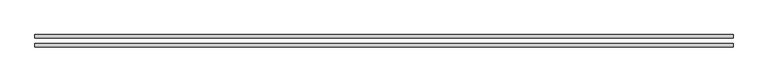
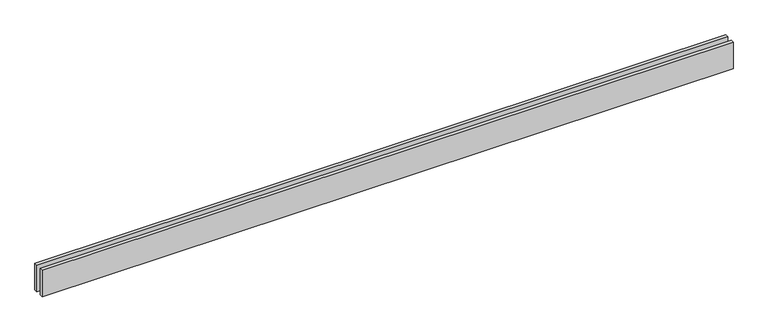
"""IFC4 building model written with IfcOpenShell, lengths in millimetres: proxy geometry."""

import ifcopenshell
import ifcopenshell.guid

model = None  # the IFC model being written
_history = None  # IfcOwnerHistory: only IFC2X3 demands one
_inside = {}  # id of a spatial element -> (the spatial element, [elements in it])
_under = {}  # id of a project, library or spatial element -> (it, [spatial elements below it])
_declared = {}  # id of a project -> (the project, [libraries it declares])
_typed = {}  # id of a type object -> (the type object, [elements of that type])
_made_of = {}  # id of a material, layer set ... -> (it, [elements and type objects made of it])


def new_model(schema):
    """Start an empty IFC model of exactly this schema.

    Asked for "IFC4X3", IfcOpenShell would pick the latest addendum, in which some entities
    have other attributes; the version numbers below select the first issue.
    IFC2X3 requires an IfcOwnerHistory on every rooted entity: one is made here for all.
    """
    global model, _history
    if schema == "IFC4X3":
        model = ifcopenshell.file(schema_version=(4, 3, 0, 0))
    else:
        model = ifcopenshell.file(schema=schema)
    _inside.clear()
    _under.clear()
    _declared.clear()
    _typed.clear()
    _made_of.clear()
    _history = None
    if model.schema == "IFC2X3":
        org = make("IfcOrganization", Name="unknown")
        user = make(
            "IfcPersonAndOrganization",
            ThePerson=make("IfcPerson", FamilyName="unknown"),
            TheOrganization=org,
        )
        app = make(
            "IfcApplication",
            ApplicationDeveloper=org,
            Version="unknown",
            ApplicationFullName="unknown",
            ApplicationIdentifier="unknown",
        )
        _history = make(
            "IfcOwnerHistory",
            OwningUser=user,
            OwningApplication=app,
            ChangeAction="ADDED",
            CreationDate=0,
        )
    return model


def make(cls, **values):
    """One entity of the class cls with the attributes given. An attribute that is None is left unset."""
    return model.create_entity(
        cls, **{name: value for name, value in values.items() if value is not None}
    )


def rooted(cls, **values):
    """An entity with a GlobalId (a new one), such as an element, a storey or a relation."""
    return make(cls, GlobalId=ifcopenshell.guid.new(), OwnerHistory=_history, **values)


def si_unit(unit_type, name, prefix=None):
    """IfcSIUnit, for example si_unit("LENGTHUNIT", "METRE", prefix="MILLI")."""
    return make("IfcSIUnit", UnitType=unit_type, Prefix=prefix, Name=name)


def assignment(units):
    """IfcUnitAssignment: the units of a project."""
    return None if units is None else make("IfcUnitAssignment", Units=units)


def point(xyz):
    """IfcCartesianPoint."""
    return None if xyz is None else make("IfcCartesianPoint", Coordinates=xyz)


def direction(xyz):
    """IfcDirection."""
    return None if xyz is None else make("IfcDirection", DirectionRatios=xyz)


def frame(location, z_axis=None, x_axis=None):
    """IfcAxis2Placement3D, a coordinate frame: its origin and axes. An axis left out is left unset."""
    return make(
        "IfcAxis2Placement3D",
        Location=point(location),
        Axis=direction(z_axis),
        RefDirection=direction(x_axis),
    )


def origin():
    """The frame at (0, 0, 0) with its axes left unset."""
    return frame((0.0, 0.0, 0.0))


def origin_with_axes():
    """The frame at (0, 0, 0) with the z axis (0, 0, 1) and the x axis (1, 0, 0) written out."""
    return frame((0.0, 0.0, 0.0), z_axis=(0.0, 0.0, 1.0), x_axis=(1.0, 0.0, 0.0))


def place(relative_to, where):
    """IfcLocalPlacement: puts the frame where relative to a parent placement (None: the world)."""
    return make(
        "IfcLocalPlacement", PlacementRelTo=relative_to, RelativePlacement=where
    )


def context(
    kind, dimensions, precision=None, world=None, true_north=None, identifier=None
):
    """IfcGeometricRepresentationContext, for example the 3D "Model" context."""
    return make(
        "IfcGeometricRepresentationContext",
        ContextIdentifier=identifier,
        ContextType=kind,
        CoordinateSpaceDimension=dimensions,
        Precision=precision,
        WorldCoordinateSystem=world,
        TrueNorth=true_north,
    )


def project(units=None, contexts=None):
    """IfcProject with its units and contexts."""
    return rooted(
        "IfcProject",
        Name="project",
        RepresentationContexts=contexts,
        UnitsInContext=assignment(units),
    )


def spatial(cls, under=None, at=None, **own):
    """A site, building, storey or space (cls), placed at a placement, below another one or the project."""
    s = rooted(cls, ObjectPlacement=at, **own)
    if under is not None:
        _under.setdefault(under.id(), (under, []))[1].append(s)
    return s


def polyline(points):
    """IfcPolyline through the points."""
    return make("IfcPolyline", Points=[point(p) for p in points])


def outline(outer, holes=None, kind="AREA"):
    """IfcArbitraryClosedProfileDef: a profile drawn as a closed curve; with holes, ...WithVoids."""
    if holes is None:
        return make("IfcArbitraryClosedProfileDef", ProfileType=kind, OuterCurve=outer)
    return make(
        "IfcArbitraryProfileDefWithVoids",
        ProfileType=kind,
        OuterCurve=outer,
        InnerCurves=holes,
    )


def extrude(swept, where, along, depth):
    """IfcExtrudedAreaSolid: the profile swept, set in the frame where, extruded along a direction by depth."""
    return make(
        "IfcExtrudedAreaSolid",
        SweptArea=swept,
        Position=where,
        ExtrudedDirection=direction(along),
        Depth=depth,
    )


def shape(context_of_items, identifier, shape_type, items):
    """IfcShapeRepresentation: the items that make up one representation, for example the "Body"."""
    return make(
        "IfcShapeRepresentation",
        ContextOfItems=context_of_items,
        RepresentationIdentifier=identifier,
        RepresentationType=shape_type,
        Items=items,
    )


def source(mapping_origin, context_of_items, identifier, shape_type, items):
    """IfcRepresentationMap: a shape defined once, which mapped items show again and again."""
    return make(
        "IfcRepresentationMap",
        MappingOrigin=mapping_origin,
        MappedRepresentation=shape(context_of_items, identifier, shape_type, items),
    )


def transform(
    local_origin,
    x_axis=None,
    y_axis=None,
    z_axis=None,
    scale=None,
    scale2=None,
    scale3=None,
    uniform=True,
):
    """IfcCartesianTransformationOperator3D, or its non-uniform kind. x_axis, y_axis, z_axis: its Axis1, 2, 3."""
    if uniform:
        return make(
            "IfcCartesianTransformationOperator3D",
            Axis1=direction(x_axis),
            Axis2=direction(y_axis),
            LocalOrigin=point(local_origin),
            Scale=scale,
            Axis3=direction(z_axis),
        )
    return make(
        "IfcCartesianTransformationOperator3DnonUniform",
        Axis1=direction(x_axis),
        Axis2=direction(y_axis),
        LocalOrigin=point(local_origin),
        Scale=scale,
        Axis3=direction(z_axis),
        Scale2=scale2,
        Scale3=scale3,
    )


def mapped(mapping_source, mapping_target):
    """IfcMappedItem: shows the shape of a source again, moved by a transform."""
    return make(
        "IfcMappedItem", MappingSource=mapping_source, MappingTarget=mapping_target
    )


def made_of(thing, what):
    """Note that an element or type object is made of a material, layer set ...; save() writes the relation."""
    if what is not None:
        _made_of.setdefault(what.id(), (what, []))[1].append(thing)
    return thing


def element(
    cls,
    number,
    at=None,
    inside=None,
    cuts=None,
    type_object=None,
    material=None,
    context=None,
    identifier="Body",
    shape_type=None,
    held_by="IfcProductDefinitionShape",
    body=None,
    shapes=None,
    **own,
):
    """One element of the class cls, such as IfcWall. Its Tag is "e" and its number.

    at: its placement. inside: the storey or other place that contains it. cuts: it is an
    opening in that element (IfcRelVoidsElement). A single representation is given by context,
    identifier, shape_type and body (its items); several are given by shapes. held_by: the class
    of the entity that holds the representations. save() writes the other relations.
    """
    e = rooted(cls, Tag="e%d" % number, ObjectPlacement=at, **own)
    if body is not None:
        shapes = [shape(context, identifier, shape_type, body)]
    if shapes is not None:
        e.Representation = make(held_by, Representations=shapes)
    if inside is not None:
        _inside.setdefault(inside.id(), (inside, []))[1].append(e)
    if cuts is not None:
        rooted(
            "IfcRelVoidsElement", RelatingBuildingElement=cuts, RelatedOpeningElement=e
        )
    if type_object is not None:
        _typed.setdefault(type_object.id(), (type_object, []))[1].append(e)
    return made_of(e, material)


def aggregate(whole, parts):
    """IfcRelAggregates: a whole, such as a stair, and the parts it consists of."""
    return rooted("IfcRelAggregates", RelatingObject=whole, RelatedObjects=parts)


def save(model, path):
    """Write the relations noted so far, then the file.

    IfcRelAggregates (storeys below a building ...), IfcRelContainedInSpatialStructure (elements
    in a storey), IfcRelDefinesByType, IfcRelAssociatesMaterial and IfcRelDeclares: one each for
    every whole, place, type object, material and project.
    """
    for whole, parts in _under.values():
        aggregate(whole, parts)
    for where, things in _inside.values():
        rooted(
            "IfcRelContainedInSpatialStructure",
            RelatedElements=things,
            RelatingStructure=where,
        )
    for kind, things in _typed.values():
        rooted("IfcRelDefinesByType", RelatedObjects=things, RelatingType=kind)
    for what, things in _made_of.values():
        rooted("IfcRelAssociatesMaterial", RelatedObjects=things, RelatingMaterial=what)
    for by, libraries in _declared.values():
        rooted("IfcRelDeclares", RelatingContext=by, RelatedDefinitions=libraries)
    model.write(path)


def generic_models_6b5543e1(model_context):
    return source(origin(), model_context, "Body", "SweptSolid", [
        extrude(outline(polyline([(6146.2680425, -25.0), (6146.2680425, -55.0), (0.0, -55.0), (0.0, -25.0), (6146.2680425, -25.0)])), origin_with_axes(), (0.0, 0.0, 1.0), 250.0),
        extrude(outline(polyline([(6146.2680425, 55.0), (6146.2680425, 25.0), (0.0, 25.0), (0.0, 55.0), (6146.2680425, 55.0)])), origin_with_axes(), (0.0, 0.0, 1.0), 250.0),
    ])


if __name__ == "__main__":
    model = new_model("IFC4")
    model_context = context("Model", 3, world=origin())
    ifc_project = project(units=[si_unit("LENGTHUNIT", "METRE", prefix="MILLI")], contexts=[model_context])
    site = spatial("IfcSite", under=ifc_project)
    building = spatial("IfcBuilding", under=site)
    placement = place(None, origin())
    generic_models_shape = generic_models_6b5543e1(model_context)
    element("IfcBuildingElementProxy", 1, Name="Generic Models", at=placement, inside=building, context=model_context, shape_type="MappedRepresentation", body=[
        mapped(generic_models_shape, transform((0.0, 0.0, 0.0), x_axis=(1.0, 0.0, 0.0), y_axis=(0.0, 1.0, 0.0), z_axis=(0.0, 0.0, 1.0))),
    ])
    save(model, "model.ifc")
